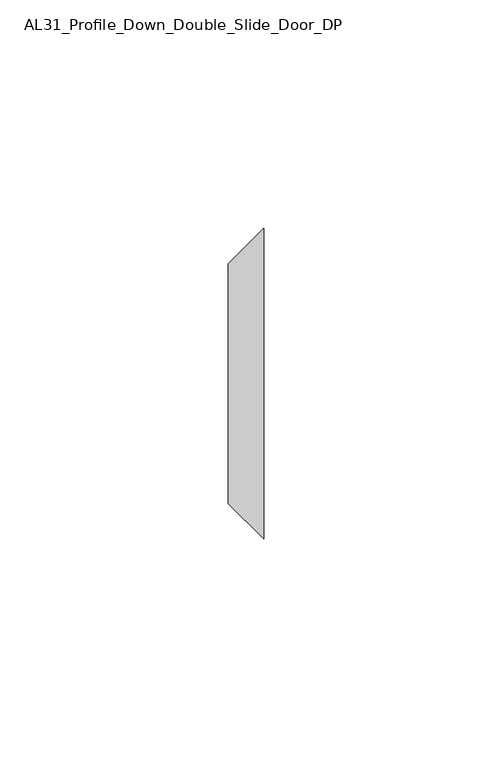
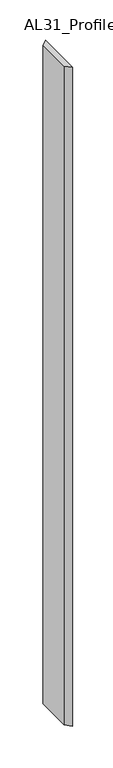
"""IFC4 building model written with IfcOpenShell, lengths in millimetres: member geometry, AL31_Profile_Down_Double_Slide_Door_DP."""

from ifc_helpers import new_model, si_unit, frame, origin, place, context, project, spatial, polyline, outline, extrude, source, transform, mapped, element, save


def al31_profile_down_double_slide_door_dp_6b24b575(model_context):
    return source(origin(), model_context, "Body", "SweptSolid", [
        extrude(outline(polyline([(-7.7500006, 26.2889081), (0.0, 34.0389087), (0.0, -34.0389087), (-7.7500006, -26.2889081), (-7.7500006, 26.2889081)])), frame((0.0, 0.0, -1000.0), z_axis=(0.0, 0.0, 1.0), x_axis=(1.0, 0.0, 0.0)), (0.0, 0.0, 1.0), 1000.0),
    ])


if __name__ == "__main__":
    model = new_model("IFC4")
    model_context = context("Model", 3, world=origin())
    ifc_project = project(units=[si_unit("LENGTHUNIT", "METRE", prefix="MILLI")], contexts=[model_context])
    site = spatial("IfcSite", under=ifc_project)
    building = spatial("IfcBuilding", under=site)
    placement = place(None, origin())
    al31_profile_down_double_slide_door_dp_shape = al31_profile_down_double_slide_door_dp_6b24b575(model_context)
    element("IfcMember", 1, ObjectType="AL31_Profile_Down_Double_Slide_Door_DP", at=placement, inside=building, context=model_context, shape_type="MappedRepresentation", body=[
        mapped(al31_profile_down_double_slide_door_dp_shape, transform((0.0, 0.0, 0.0), x_axis=(1.0, 0.0, 0.0), y_axis=(0.0, 1.0, 0.0), z_axis=(0.0, 0.0, 1.0))),
    ])
    save(model, "model.ifc")
